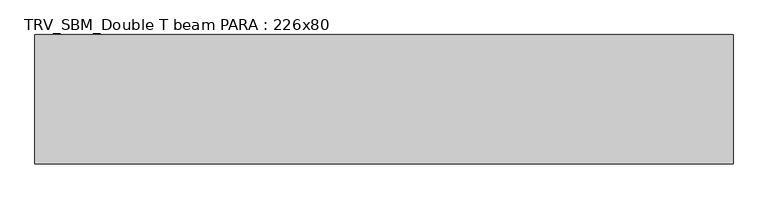
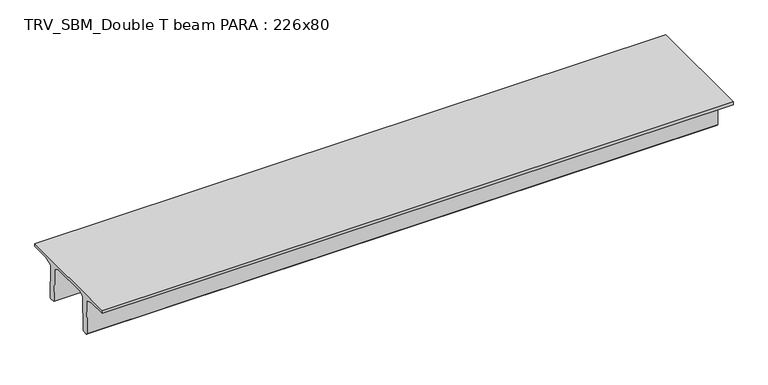
"""IFC4 building model written with IfcOpenShell, lengths in millimetres: beam geometry, TRV_SBM_Double T beam PARA : 226x80."""

from ifc_helpers import new_model, si_unit, frame, origin, place, context, project, spatial, polyline, outline, extrude, source, transform, mapped, element, save


def trv_sbm_double_t_beam_para_226x80_0899a34b(model_context):
    return source(origin(), model_context, "Body", "SweptSolid", [
        extrude(outline(polyline([(352.1399239, 205.988519), (-382.1399239, 205.988519), (-485.0, 144.18395), (-501.9262559, -520.5206011), (-521.4056548, -540.0), (-611.4056548, -540.0), (-631.9887932, -520.5206011), (-615.2025683, 140.6523122), (-776.9153545, 205.988519), (-1145.0, 205.988519), (-1145.0, 260.0), (1115.0, 260.0), (1115.0, 205.988519), (746.9153545, 205.988519), (585.2025683, 140.6523122), (601.9887932, -520.5206011), (581.4056548, -540.0), (491.4056548, -540.0), (471.9262559, -520.5206011), (455.0, 144.18395), (352.1399239, 205.988519)])), frame((-6228.4692878, 0.0, 0.0), z_axis=(1.0, 0.0, 0.0), x_axis=(0.0, 1.0, 0.0)), (0.0, 0.0, 1.0), 12189.3755564),
    ])


if __name__ == "__main__":
    model = new_model("IFC4")
    model_context = context("Model", 3, world=origin())
    ifc_project = project(units=[si_unit("LENGTHUNIT", "METRE", prefix="MILLI")], contexts=[model_context])
    site = spatial("IfcSite", under=ifc_project)
    building = spatial("IfcBuilding", under=site)
    placement = place(None, origin())
    trv_sbm_double_t_beam_para_226x80_shape = trv_sbm_double_t_beam_para_226x80_0899a34b(model_context)
    element("IfcBeam", 1, ObjectType="TRV_SBM_Double T beam PARA : 226x80", at=placement, inside=building, context=model_context, shape_type="MappedRepresentation", body=[
        mapped(trv_sbm_double_t_beam_para_226x80_shape, transform((0.0, 0.0, 0.0), x_axis=(1.0, 0.0, 0.0), y_axis=(0.0, 1.0, 0.0), z_axis=(0.0, 0.0, 1.0))),
    ])
    save(model, "model.ifc")
